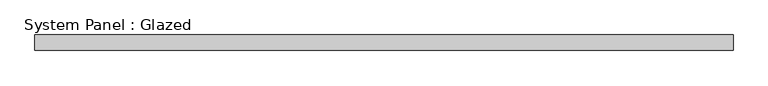
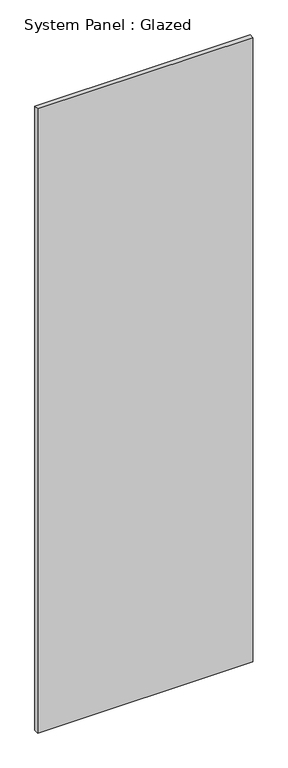
"""IFC4 building model written with IfcOpenShell, lengths in millimetres: plate geometry, System Panel : Glazed."""

from ifc_helpers import new_model, si_unit, origin, origin_with_axes, place, context, project, spatial, polyline, outline, extrude, source, transform, mapped, element, save


def system_panel_glazed_57ef710f(model_context):
    return source(origin(), model_context, "Body", "SweptSolid", [
        extrude(outline(polyline([(571.5, -44.45), (-571.5, -44.45), (-571.5, -19.05), (571.5, -19.05), (571.5, -44.45)])), origin_with_axes(), (0.0, 0.0, 1.0), 3505.2),
    ])


if __name__ == "__main__":
    model = new_model("IFC4")
    model_context = context("Model", 3, world=origin())
    ifc_project = project(units=[si_unit("LENGTHUNIT", "METRE", prefix="MILLI")], contexts=[model_context])
    site = spatial("IfcSite", under=ifc_project)
    building = spatial("IfcBuilding", under=site)
    placement = place(None, origin())
    system_panel_glazed_shape = system_panel_glazed_57ef710f(model_context)
    element("IfcPlate", 1, ObjectType="System Panel : Glazed", at=placement, inside=building, context=model_context, shape_type="MappedRepresentation", body=[
        mapped(system_panel_glazed_shape, transform((0.0, 0.0, 0.0), x_axis=(1.0, 0.0, 0.0), y_axis=(0.0, 1.0, 0.0), z_axis=(0.0, 0.0, 1.0))),
    ])
    save(model, "model.ifc")
